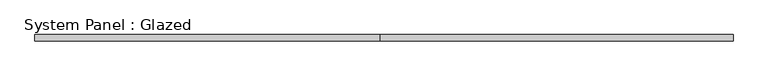
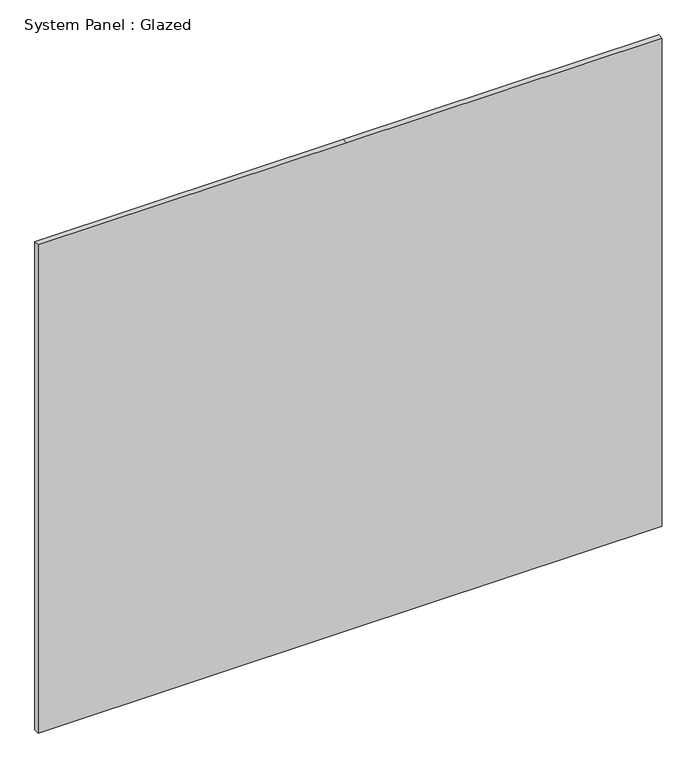
"""IFC4 building model written with IfcOpenShell, lengths in millimetres: plate geometry, System Panel : Glazed."""

from ifc_helpers import new_model, si_unit, frame, origin, place, context, project, spatial, polyline, outline, extrude, source, transform, mapped, element, save


def system_panel_glazed_0b50701a(model_context):
    return source(origin(), model_context, "Body", "SweptSolid", [
        extrude(outline(polyline([(0.0, -1417.1083335), (0.0, -15.8749998), (0.0, 1417.1083335), (2343.15, 1417.1083335), (2343.15, -15.8749998), (2343.15, -1417.1083335), (0.0, -1417.1083335)])), frame((0.0, 19.05, 0.0), z_axis=(0.0, 1.0, 0.0), x_axis=(0.0, 0.0, 1.0)), (0.0, 0.0, 1.0), 25.4),
    ])


if __name__ == "__main__":
    model = new_model("IFC4")
    model_context = context("Model", 3, world=origin())
    ifc_project = project(units=[si_unit("LENGTHUNIT", "METRE", prefix="MILLI")], contexts=[model_context])
    site = spatial("IfcSite", under=ifc_project)
    building = spatial("IfcBuilding", under=site)
    placement = place(None, origin())
    system_panel_glazed_shape = system_panel_glazed_0b50701a(model_context)
    element("IfcPlate", 1, ObjectType="System Panel : Glazed", at=placement, inside=building, context=model_context, shape_type="MappedRepresentation", body=[
        mapped(system_panel_glazed_shape, transform((0.0, 0.0, 0.0), x_axis=(1.0, 0.0, 0.0), y_axis=(0.0, 1.0, 0.0), z_axis=(0.0, 0.0, 1.0))),
    ])
    save(model, "model.ifc")
